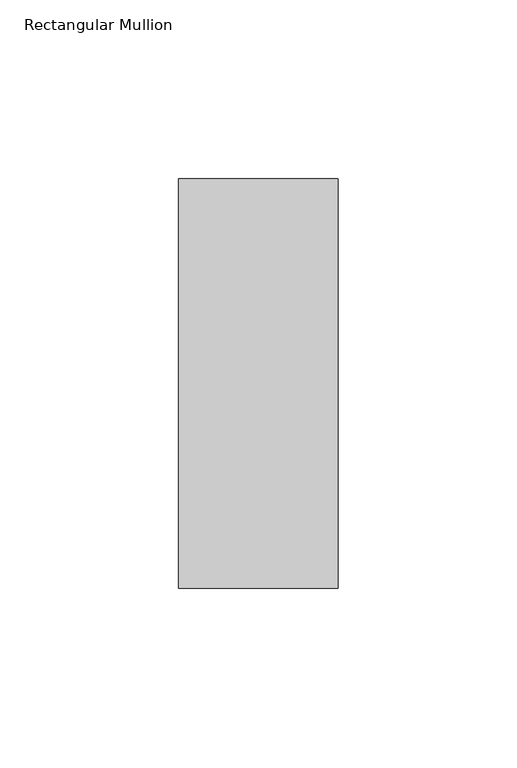
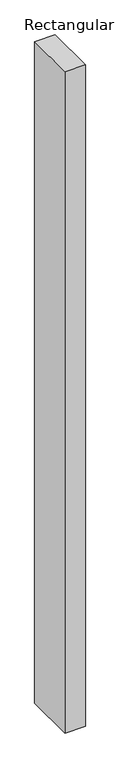
"""IFC4 building model written with IfcOpenShell, lengths in millimetres: member geometry, Rectangular Mullion."""

from ifc_helpers import new_model, si_unit, frame, origin, place, context, project, spatial, polyline, outline, extrude, source, transform, mapped, element, save


def rectangular_mullion_6157d383(model_context):
    return source(origin(), model_context, "Body", "SweptSolid", [
        extrude(outline(polyline([(-44.4386654, 57.1666957), (0.0, 57.1666957), (0.0, -57.1079043), (-44.4386654, -57.1079043), (-44.4386654, 57.1666957)])), frame((0.0, 0.0, -1524.0), z_axis=(0.0, 0.0, 1.0), x_axis=(1.0, 0.0, 0.0)), (0.0, 0.0, 1.0), 1524.0),
    ])


if __name__ == "__main__":
    model = new_model("IFC4")
    model_context = context("Model", 3, world=origin())
    ifc_project = project(units=[si_unit("LENGTHUNIT", "METRE", prefix="MILLI")], contexts=[model_context])
    site = spatial("IfcSite", under=ifc_project)
    building = spatial("IfcBuilding", under=site)
    placement = place(None, origin())
    rectangular_mullion_shape = rectangular_mullion_6157d383(model_context)
    element("IfcMember", 1, ObjectType="Rectangular Mullion", at=placement, inside=building, context=model_context, shape_type="MappedRepresentation", body=[
        mapped(rectangular_mullion_shape, transform((0.0, 0.0, 0.0), x_axis=(1.0, 0.0, 0.0), y_axis=(0.0, 1.0, 0.0), z_axis=(0.0, 0.0, 1.0))),
    ])
    save(model, "model.ifc")
